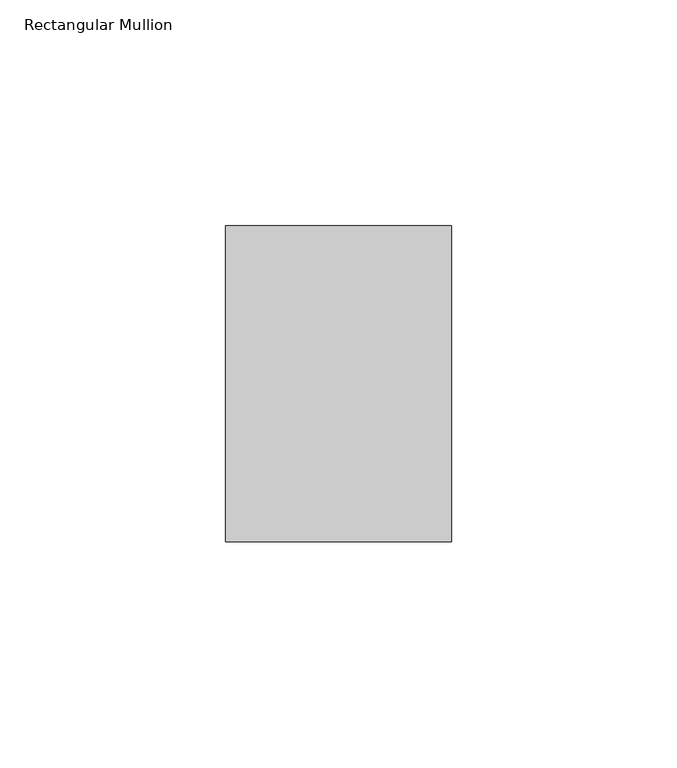
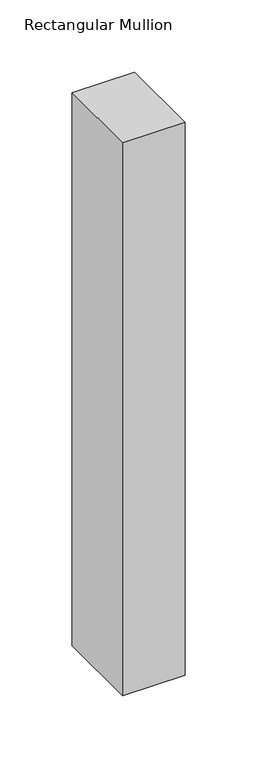
"""IFC4 building model written with IfcOpenShell, lengths in millimetres: member geometry, Rectangular Mullion."""

from ifc_helpers import new_model, si_unit, frame, origin, place, context, project, spatial, polyline, outline, extrude, source, transform, mapped, element, save


def rectangular_mullion_3204d9d0(model_context):
    return source(origin(), model_context, "Body", "SweptSolid", [
        extrude(outline(polyline([(25.0, 35.0), (25.0, -35.0), (-25.0, -35.0), (-25.0, 35.0), (25.0, 35.0)])), frame((0.0, 0.0, -468.0080059), z_axis=(0.0, 0.0, 1.0), x_axis=(1.0, 0.0, 0.0)), (0.0, 0.0, 1.0), 468.0080059),
    ])


if __name__ == "__main__":
    model = new_model("IFC4")
    model_context = context("Model", 3, world=origin())
    ifc_project = project(units=[si_unit("LENGTHUNIT", "METRE", prefix="MILLI")], contexts=[model_context])
    site = spatial("IfcSite", under=ifc_project)
    building = spatial("IfcBuilding", under=site)
    placement = place(None, origin())
    rectangular_mullion_shape = rectangular_mullion_3204d9d0(model_context)
    element("IfcMember", 1, ObjectType="Rectangular Mullion", at=placement, inside=building, context=model_context, shape_type="MappedRepresentation", body=[
        mapped(rectangular_mullion_shape, transform((0.0, 0.0, 0.0), x_axis=(1.0, 0.0, 0.0), y_axis=(0.0, 1.0, 0.0), z_axis=(0.0, 0.0, 1.0))),
    ])
    save(model, "model.ifc")
